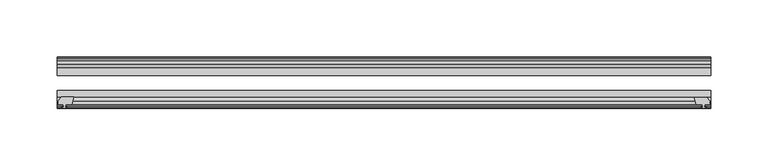
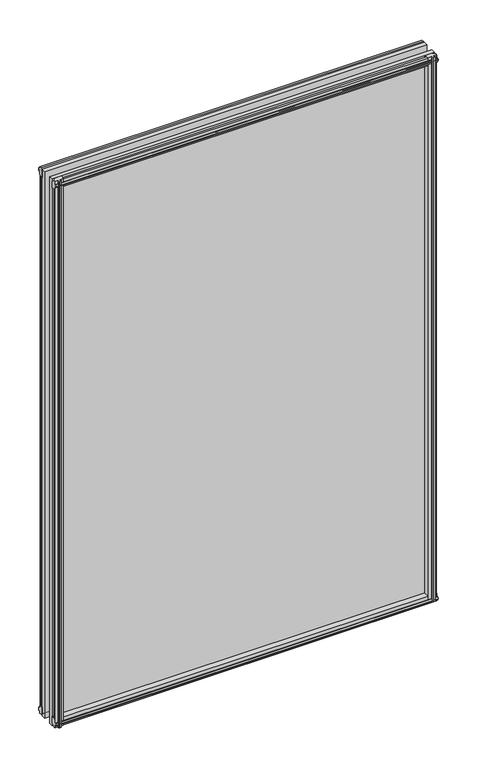
"""IFC4 building model written with IfcOpenShell, lengths in millimetres: plate geometry."""

from ifc_helpers import new_model, si_unit, frame, origin, place, context, project, spatial, polyline, outline, extrude, source, transform, mapped, element, save


def plate_f9db76d6(model_context):
    return source(origin(), model_context, "Body", "SweptSolid", [
        extrude(outline(polyline([(-271.3322819, -83.1453125), (-273.05, -89.4953125), (-278.257, -89.4953125), (-278.638, -91.8755095), (-277.2224709, -91.4155762), (-277.2224709, -92.2167904), (-279.4, -92.9243125), (-281.577529, -92.2167904), (-281.577529, -91.4155762), (-280.162, -91.8755095), (-280.543, -89.4953125), (-284.988, -89.4953125), (-284.988, -86.5489125), (-282.1536578, -83.1453125), (-271.3322819, -83.1453125)])), frame((0.0, 0.0, -12.4587), z_axis=(0.0, 0.0, 1.0), x_axis=(1.0, 0.0, 0.0)), (0.0, 0.0, 1.0), 863.1174),
        extrude(outline(polyline([(271.3538926, -83.2252021), (282.1752685, -83.2252021), (285.0096107, -86.6288021), (285.0096107, -89.5752021), (280.5646107, -89.5752021), (280.1836107, -91.9553991), (281.5991397, -91.4954658), (281.5991397, -92.29668), (279.4216107, -93.0042021), (277.2440816, -92.29668), (277.2440816, -91.4954658), (278.6596107, -91.9553991), (278.2786107, -89.5752021), (273.0716107, -89.5752021), (271.3538926, -83.2252021)])), frame((0.0, 0.0, -9.0482291), z_axis=(0.0, 0.0, 1.0), x_axis=(1.0, 0.0, 0.0)), (0.0, 0.0, 1.0), 859.7069291),
        extrude(outline(polyline([(-280.6827, -49.0151155), (-282.098229, -49.4750488), (-282.098229, -48.6738346), (-279.9207, -47.9663125), (-277.7431709, -48.6738346), (-277.7431709, -49.4750488), (-279.1587, -49.0151155), (-278.7777, -51.3953125), (-273.5707, -51.3953125), (-271.8529819, -57.7453125), (-282.6743578, -57.7453125), (-285.5087, -54.3417125), (-285.5087, -51.3953125), (-281.0637, -51.3953125), (-280.6827, -49.0151155)])), frame((0.0, 0.0, -12.4587), z_axis=(0.0, 0.0, 1.0), x_axis=(1.0, 0.0, 0.0)), (0.0, 0.0, 1.0), 856.7674),
        extrude(outline(polyline([(271.8529819, -57.7453125), (273.5707, -51.3953125), (278.7777, -51.3953125), (279.1587, -49.0151155), (277.7431709, -49.4750488), (277.7431709, -48.6738346), (279.9207, -47.9663125), (282.098229, -48.6738346), (282.098229, -49.4750488), (280.6827, -49.0151155), (281.0637, -51.3953125), (285.5087, -51.3953125), (285.5087, -54.3417125), (282.6743578, -57.7453125), (271.8529819, -57.7453125)])), frame((0.0, 0.0, -12.4587), z_axis=(0.0, 0.0, 1.0), x_axis=(1.0, 0.0, 0.0)), (0.0, 0.0, 1.0), 856.7674),
        extrude(outline(polyline([(-48.6738346, -4.6931709), (-47.9663125, -6.8707), (-48.6738346, -9.0482291), (-49.4750488, -9.0482291), (-49.0151155, -7.6327), (-51.3953125, -8.0137), (-51.3953125, -12.4587), (-54.3417125, -12.4587), (-57.7453125, -9.6243578), (-57.7453125, 1.1970181), (-51.3953125, -0.5207), (-51.3953125, -5.7277), (-49.0151155, -6.1087), (-49.4750488, -4.6931709), (-48.6738346, -4.6931709)])), frame((-285.75, 0.0, 0.0), z_axis=(1.0, 0.0, 0.0), x_axis=(0.0, 1.0, 0.0)), (0.0, 0.0, 1.0), 571.5),
        extrude(outline(polyline([(-83.1453125, 1.7177181), (-83.1453125, -9.1036578), (-86.5489125, -11.938), (-89.4953125, -11.938), (-89.4953125, -7.493), (-91.8755095, -7.112), (-91.4155762, -8.5275291), (-92.2167904, -8.5275291), (-92.9243125, -6.35), (-92.2167904, -4.1724709), (-91.4155762, -4.1724709), (-91.8755095, -5.588), (-89.4953125, -5.207), (-89.4953125, 0.0), (-83.1453125, 1.7177181)])), frame((-285.75, 0.0, 0.0), z_axis=(1.0, 0.0, 0.0), x_axis=(0.0, 1.0, 0.0)), (0.0, 0.0, 1.0), 571.5),
        extrude(outline(polyline([(-49.0151155, 845.8327), (-49.4750488, 847.2482291), (-48.6738346, 847.2482291), (-47.9663125, 845.0707), (-48.6738346, 842.893171), (-49.4750488, 842.893171), (-49.0151155, 844.3087), (-51.3953125, 843.9277), (-51.3953125, 838.7207), (-57.7453125, 837.0029819), (-57.7453125, 847.8243578), (-54.3417125, 850.6587), (-51.3953125, 850.6587), (-51.3953125, 846.2137), (-49.0151155, 845.8327)])), frame((-285.75, 0.0, 0.0), z_axis=(1.0, 0.0, 0.0), x_axis=(0.0, 1.0, 0.0)), (0.0, 0.0, 1.0), 571.5),
        extrude(outline(polyline([(-89.4953125, 850.138), (-86.5489125, 850.138), (-83.1453125, 847.3036578), (-83.1453125, 836.4822819), (-89.4953125, 838.2), (-89.4953125, 843.407), (-91.8755095, 843.788), (-91.4155762, 842.372471), (-92.2167904, 842.372471), (-92.9243125, 844.55), (-92.2167904, 846.7275291), (-91.4155762, 846.7275291), (-91.8755095, 845.312), (-89.4953125, 845.693), (-89.4953125, 850.138)])), frame((-285.75, 0.0, 0.0), z_axis=(1.0, 0.0, 0.0), x_axis=(0.0, 1.0, 0.0)), (0.0, 0.0, 1.0), 571.5),
        extrude(outline(polyline([(-285.75, -57.7453125), (285.75, -57.7453125), (285.75, -64.0953125), (-285.75, -64.0953125), (-285.75, -57.7453125)])), frame((0.0, 0.0, -12.7), z_axis=(0.0, 0.0, 1.0), x_axis=(1.0, 0.0, 0.0)), (0.0, 0.0, 1.0), 863.6),
        extrude(outline(polyline([(-285.75, -77.1178925), (285.75, -77.1178925), (285.75, -83.1453125), (-285.75, -83.1453125), (-285.75, -77.1178925)])), frame((0.0, 0.0, -12.7), z_axis=(0.0, 0.0, 1.0), x_axis=(1.0, 0.0, 0.0)), (0.0, 0.0, 1.0), 863.6),
    ])


if __name__ == "__main__":
    model = new_model("IFC4")
    model_context = context("Model", 3, world=origin())
    ifc_project = project(units=[si_unit("LENGTHUNIT", "METRE", prefix="MILLI")], contexts=[model_context])
    site = spatial("IfcSite", under=ifc_project)
    building = spatial("IfcBuilding", under=site)
    placement = place(None, origin())
    plate_shape = plate_f9db76d6(model_context)
    element("IfcPlate", 1, at=placement, inside=building, context=model_context, shape_type="MappedRepresentation", body=[
        mapped(plate_shape, transform((0.0, 0.0, 0.0), x_axis=(1.0, 0.0, 0.0), y_axis=(0.0, 1.0, 0.0), z_axis=(0.0, 0.0, 1.0))),
    ])
    save(model, "model.ifc")
